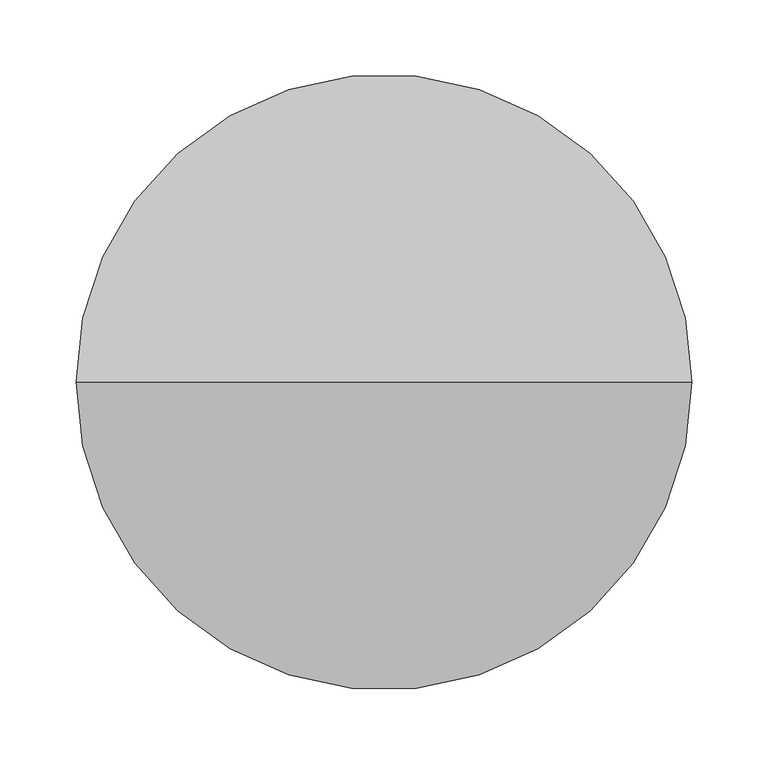
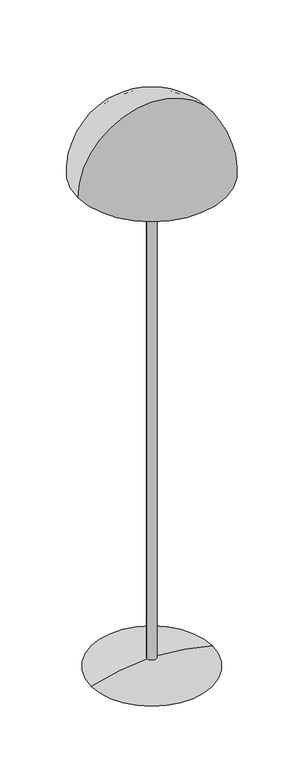
"""IFC4 building model written with IfcOpenShell, lengths in millimetres: light fixture geometry."""

from ifc_helpers import new_model, si_unit, point, frame, origin, origin_with_axes, origin_2d, place, context, project, spatial, polyline, circle_curve, ellipse_curve, trimmed, segment, composite_curve, outline, extrude, source, transform, mapped, element, save
from ifc_brep_helpers import plane_surface, revolved_surface, advanced_brep


def light_fixture_6b0d6164(model_context):
    return source(origin(), model_context, "Body", "SolidModel", [
        advanced_brep(
        [(-197.591573, 0.0, 1418.9296253), (197.591573, 0.0, 1418.9296253), (0.0, 0.0, 1615.9237469), (-202.3305676, 0.0, 1418.9296253), (202.3305676, 0.0, 1418.9296253), (0.0, 0.0, 1622.0)],
        [
            (0, 1, circle_curve(frame((0.0, 0.0, 1418.9296253), z_axis=(0.0, 0.0, -1.0), x_axis=(1.0, 0.0, 0.0)), 197.591573)),
            (1, 2, circle_curve(frame((0.7416268, 0.0, 1419.075144), z_axis=(0.0, -1.0, 0.0), x_axis=(1.0, 0.0, 0.0)), 196.85)),
            (2, 0, circle_curve(frame((-0.7416268, 0.0, 1419.075144), z_axis=(0.0, -1.0, 0.0), x_axis=(-1.0, 0.0, 0.0)), 196.85)),
            (1, 0, circle_curve(frame((0.0, 0.0, 1418.9296253), z_axis=(0.0, 0.0, -1.0), x_axis=(1.0, 0.0, 0.0)), 197.591573)),
            (3, 4, circle_curve(frame((0.0, 0.0, 1418.9296253), z_axis=(0.0, 0.0, -1.0), x_axis=(1.0, 0.0, 0.0)), 202.3305676)),
            (4, 1),
            (0, 3),
            (4, 3, circle_curve(frame((0.0, 0.0, 1418.9296253), z_axis=(0.0, 0.0, -1.0), x_axis=(1.0, 0.0, 0.0)), 202.3305676)),
            (5, 4, circle_curve(frame((-0.8693923, 0.0, 1418.8018599), z_axis=(0.0, 1.0, 0.0), x_axis=(1.0, 0.0, 0.0)), 203.2)),
            (3, 5, circle_curve(frame((0.8693923, 0.0, 1418.8018599), z_axis=(0.0, 1.0, 0.0), x_axis=(-1.0, 0.0, 0.0)), 203.2)),
        ],
        [
            revolved_surface(trimmed(ellipse_curve(frame((0.7416268, 0.0, 1419.075144), z_axis=(0.0, 1.0, 0.0), x_axis=(1.0, 0.0, 0.0)), 196.85, 196.85), [point((0.0, 0.0, 1615.9237469))], [point((197.591573, 0.0, 1418.9296253))], True, "CARTESIAN"), (0.0, 0.0, 1687.2133868), (0.0, 0.0, 1.0)),
            plane_surface(frame((0.0, 0.0, 1418.9296253), z_axis=(0.0, 0.0, -1.0), x_axis=(1.0, 0.0, 0.0))),
            revolved_surface(trimmed(ellipse_curve(frame((-0.8693923, 0.0, 1418.8018599), z_axis=(0.0, -1.0, 0.0), x_axis=(1.0, 0.0, 0.0)), 203.2, 203.2), [point((202.3305676, 0.0, 1418.9296253))], [point((0.0, 0.0, 1622.0))], True, "CARTESIAN"), (0.0, 0.0, 1687.2133868), (0.0, 0.0, 1.0)),
        ],
        [
            (0, [[1, 2, 3]]),
            (0, [[4, -3, -2]]),
            (1, [[5, 6, -1, 7]]),
            (1, [[8, -7, -4, -6]]),
            (2, [[9, -5, 10]]),
            (2, [[-10, -8, -9]]),
        ],
    ),
        advanced_brep(
        [(-165.1, 0.0, 0.0), (165.1, 0.0, 0.0), (12.7, 0.0, 0.0), (-12.7, 0.0, 0.0), (-12.7, 0.0, 25.4), (12.7, 0.0, 25.4)],
        [
            (0, 1, circle_curve(frame((0.0, 0.0, 0.0), z_axis=(0.0, 0.0, -1.0), x_axis=(1.0, 0.0, 0.0)), 165.1)),
            (1, 2),
            (2, 3, circle_curve(origin_with_axes(), 12.7)),
            (3, 0),
            (1, 0, circle_curve(frame((0.0, 0.0, 0.0), z_axis=(0.0, 0.0, -1.0), x_axis=(1.0, 0.0, 0.0)), 165.1)),
            (3, 2, circle_curve(origin_with_axes(), 12.7)),
            (4, 5, circle_curve(frame((0.0, 0.0, 25.4), z_axis=(0.0, 0.0, -1.0), x_axis=(1.0, 0.0, 0.0)), 12.7)),
            (5, 1, circle_curve(frame((-10.5405788, 0.0, -583.9434729), z_axis=(0.0, 1.0, 0.0), x_axis=(1.0, 0.0, 0.0)), 609.7865138)),
            (0, 4, circle_curve(frame((10.5405788, 0.0, -583.9434729), z_axis=(0.0, 1.0, 0.0), x_axis=(-1.0, 0.0, 0.0)), 609.7865138)),
            (5, 4, circle_curve(frame((0.0, 0.0, 25.4), z_axis=(0.0, 0.0, -1.0), x_axis=(1.0, 0.0, 0.0)), 12.7)),
            (2, 5),
            (4, 3),
        ],
        [
            plane_surface(frame((0.0, 0.0, 0.0), z_axis=(0.0, 0.0, -1.0), x_axis=(1.0, 0.0, 0.0))),
            revolved_surface(trimmed(ellipse_curve(frame((-10.5405788, 0.0, -583.9434729), z_axis=(0.0, -1.0, 0.0), x_axis=(1.0, 0.0, 0.0)), 609.7865138, 609.7865138), [point((165.1, 0.0, 0.0))], [point((12.7, 0.0, 25.4))], True, "CARTESIAN"), (0.0, 0.0, 127.0), (0.0, 0.0, 1.0)),
            revolved_surface(polyline([(12.7, 0.0, 25.400000000000006), (12.7, 0.0, 0.0)]), (0.0, 0.0, 127.0), (0.0, 0.0, 1.0)),
        ],
        [
            (0, [[1, 2, 3, 4]]),
            (0, [[5, -4, 6, -2]]),
            (1, [[7, 8, -1, 9]]),
            (1, [[10, -9, -5, -8]]),
            (2, [[-3, 11, -7, 12]]),
            (2, [[-6, -12, -10, -11]]),
        ],
    ),
        extrude(outline(composite_curve([segment(trimmed(circle_curve(origin_2d(), 12.7), [point((-12.7, 0.0))], [point((12.7, 0.0))], False, "CARTESIAN"), True, "CONTINUOUS"), segment(trimmed(circle_curve(origin_2d(), 12.7), [point((12.7, 0.0))], [point((-12.7, 0.0))], False, "CARTESIAN"), True, "CONTINUOUS")], self_intersect=False)), frame((0.0, 0.0, 25.4), z_axis=(0.0, 0.0, 1.0), x_axis=(1.0, 0.0, 0.0)), (0.0, 0.0, 1.0), 1432.6),
    ])


if __name__ == "__main__":
    model = new_model("IFC4")
    model_context = context("Model", 3, world=origin())
    ifc_project = project(units=[si_unit("LENGTHUNIT", "METRE", prefix="MILLI")], contexts=[model_context])
    site = spatial("IfcSite", under=ifc_project)
    building = spatial("IfcBuilding", under=site)
    placement = place(None, origin())
    light_fixture_shape = light_fixture_6b0d6164(model_context)
    element("IfcLightFixture", 1, at=placement, inside=building, context=model_context, shape_type="MappedRepresentation", body=[
        mapped(light_fixture_shape, transform((0.0, 0.0, 0.0), x_axis=(1.0, 0.0, 0.0), y_axis=(0.0, 1.0, 0.0), z_axis=(0.0, 0.0, 1.0))),
    ])
    save(model, "model.ifc")
